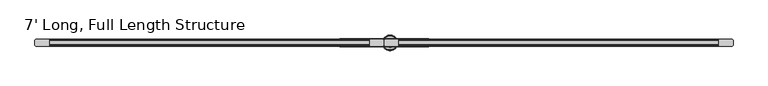
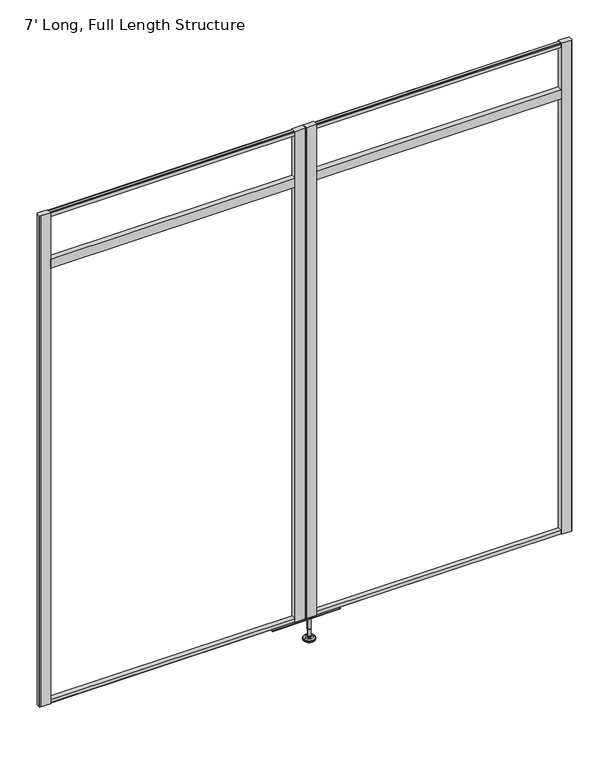
"""IFC4 building model written with IfcOpenShell, lengths in millimetres: furniture geometry, 7' Long, Full Length Structure."""

from ifc_helpers import new_model, si_unit, frame, origin, place, context, project, spatial, polyline, circle_curve, outline, extrude, source, transform, mapped, element, save
from ifc_brep_helpers import plane_surface, cylinder_surface, revolved_surface, advanced_brep


def furniture_7_long_full_length_structure_1698244c(model_context):
    return source(origin(), model_context, "Body", "SolidModel", [
        advanced_brep(
        [(1087.5986665, 0.0, 101.6), (1096.5765879, 0.0, 101.6), (1078.6207451, 0.0, 101.6), (1073.4944265, 0.0, 0.0206943), (1101.7029064, 0.0, 0.0206943), (1087.5986665, 0.0, 0.0206943), (1068.6163948, 0.0, 1.4194474), (1106.5809381, 0.0, 1.4194474), (1064.8544798, 0.0, 4.7394056), (1110.3428532, 0.0, 4.7394056), (1063.7370301, 0.0, 7.5051905), (1111.4603028, 0.0, 7.5051905), (1063.7370301, 0.0, 8.3065967), (1111.4603028, 0.0, 8.3065967), (1064.5794333, 0.0, 9.8469348), (1110.6178996, 0.0, 9.8469348), (1065.679576, 0.0, 10.8375077), (1109.517757, 0.0, 10.8375077), (1072.9832712, 0.0, 12.7338946), (1102.2140617, 0.0, 12.7338946), (1080.4014226, 0.0, 13.3828987), (1094.7959104, 0.0, 13.3828987), (1080.4014226, 0.0, 14.1772758), (1094.7959104, 0.0, 14.1772758), (1082.7982154, 0.0, 14.1772758), (1092.3991175, 0.0, 14.1772758), (1082.7982154, 0.0, 18.8098403), (1092.3991175, 0.0, 18.8098403), (1081.7823627, 0.0, 19.8256929), (1093.4149702, 0.0, 19.8256929), (1081.7823627, 0.0, 48.3056352), (1093.4149702, 0.0, 48.3056352), (1080.5588349, 0.0, 49.9293116), (1094.6384981, 0.0, 49.9293116), (1080.5588349, 0.0, 97.327223), (1094.6384981, 0.0, 97.327223), (1079.6777305, 0.0, 97.6479188), (1095.5196025, 0.0, 97.6479188), (1078.6287415, 0.0, 97.6479188), (1096.5685914, 0.0, 97.6479188), (1076.9637116, 0.0, 98.6092242), (1098.2336213, 0.0, 98.6092242), (1076.9637116, 0.0, 100.6043539), (1098.2336213, 0.0, 100.6043539)],
        [
            (0, 1),
            (1, 2, circle_curve(frame((1087.5986665, 0.0, 101.6), z_axis=(0.0, 0.0, 1.0), x_axis=(1.0, 0.0, 0.0)), 8.9779214)),
            (2, 0),
            (2, 1, circle_curve(frame((1087.5986665, 0.0, 101.6), z_axis=(0.0, 0.0, 1.0), x_axis=(1.0, 0.0, 0.0)), 8.9779214)),
            (3, 4, circle_curve(frame((1087.5986665, 0.0, 0.0206943), z_axis=(0.0, 0.0, -1.0), x_axis=(1.0, 0.0, 0.0)), 14.1042399)),
            (4, 5),
            (5, 3),
            (4, 3, circle_curve(frame((1087.5986665, 0.0, 0.0206943), z_axis=(0.0, 0.0, -1.0), x_axis=(1.0, 0.0, 0.0)), 14.1042399)),
            (6, 7, circle_curve(frame((1087.5986665, 0.0, 1.4194474), z_axis=(0.0, 0.0, -1.0), x_axis=(1.0, 0.0, 0.0)), 18.9822717)),
            (7, 4),
            (3, 6),
            (7, 6, circle_curve(frame((1087.5986665, 0.0, 1.4194474), z_axis=(0.0, 0.0, -1.0), x_axis=(1.0, 0.0, 0.0)), 18.9822717)),
            (8, 9, circle_curve(frame((1087.5986665, 0.0, 4.7394056), z_axis=(0.0, 0.0, -1.0), x_axis=(1.0, 0.0, 0.0)), 22.7441867)),
            (9, 7),
            (6, 8),
            (9, 8, circle_curve(frame((1087.5986665, 0.0, 4.7394056), z_axis=(0.0, 0.0, -1.0), x_axis=(1.0, 0.0, 0.0)), 22.7441867)),
            (10, 11, circle_curve(frame((1087.5986665, 0.0, 7.5051905), z_axis=(0.0, 0.0, -1.0), x_axis=(1.0, 0.0, 0.0)), 23.8616363)),
            (11, 9),
            (8, 10),
            (11, 10, circle_curve(frame((1087.5986665, 0.0, 7.5051905), z_axis=(0.0, 0.0, -1.0), x_axis=(1.0, 0.0, 0.0)), 23.8616363)),
            (12, 13, circle_curve(frame((1087.5986665, 0.0, 8.3065967), z_axis=(0.0, 0.0, -1.0), x_axis=(1.0, 0.0, 0.0)), 23.8616363)),
            (13, 11),
            (10, 12),
            (13, 12, circle_curve(frame((1087.5986665, 0.0, 8.3065967), z_axis=(0.0, 0.0, -1.0), x_axis=(1.0, 0.0, 0.0)), 23.8616363)),
            (14, 15, circle_curve(frame((1087.5986665, 0.0, 9.8469348), z_axis=(0.0, 0.0, -1.0), x_axis=(1.0, 0.0, 0.0)), 23.0192331)),
            (15, 13),
            (12, 14),
            (15, 14, circle_curve(frame((1087.5986665, 0.0, 9.8469348), z_axis=(0.0, 0.0, -1.0), x_axis=(1.0, 0.0, 0.0)), 23.0192331)),
            (16, 17, circle_curve(frame((1087.5986665, 0.0, 10.8375077), z_axis=(0.0, 0.0, -1.0), x_axis=(1.0, 0.0, 0.0)), 21.9190905)),
            (17, 15),
            (14, 16),
            (17, 16, circle_curve(frame((1087.5986665, 0.0, 10.8375077), z_axis=(0.0, 0.0, -1.0), x_axis=(1.0, 0.0, 0.0)), 21.9190905)),
            (18, 19, circle_curve(frame((1087.5986665, 0.0, 12.7338946), z_axis=(0.0, 0.0, -1.0), x_axis=(1.0, 0.0, 0.0)), 14.6153953)),
            (19, 17),
            (16, 18),
            (19, 18, circle_curve(frame((1087.5986665, 0.0, 12.7338946), z_axis=(0.0, 0.0, -1.0), x_axis=(1.0, 0.0, 0.0)), 14.6153953)),
            (20, 21, circle_curve(frame((1087.5986665, 0.0, 13.3828987), z_axis=(0.0, 0.0, -1.0), x_axis=(1.0, 0.0, 0.0)), 7.1972439)),
            (21, 19),
            (18, 20),
            (21, 20, circle_curve(frame((1087.5986665, 0.0, 13.3828987), z_axis=(0.0, 0.0, -1.0), x_axis=(1.0, 0.0, 0.0)), 7.1972439)),
            (22, 23, circle_curve(frame((1087.5986665, 0.0, 14.1772758), z_axis=(0.0, 0.0, -1.0), x_axis=(1.0, 0.0, 0.0)), 7.1972439)),
            (23, 21),
            (20, 22),
            (23, 22, circle_curve(frame((1087.5986665, 0.0, 14.1772758), z_axis=(0.0, 0.0, -1.0), x_axis=(1.0, 0.0, 0.0)), 7.1972439)),
            (24, 25, circle_curve(frame((1087.5986665, 0.0, 14.1772758), z_axis=(0.0, 0.0, -1.0), x_axis=(1.0, 0.0, 0.0)), 4.8004511)),
            (25, 23),
            (22, 24),
            (25, 24, circle_curve(frame((1087.5986665, 0.0, 14.1772758), z_axis=(0.0, 0.0, -1.0), x_axis=(1.0, 0.0, 0.0)), 4.8004511)),
            (26, 27, circle_curve(frame((1087.5986665, 0.0, 18.8098403), z_axis=(0.0, 0.0, -1.0), x_axis=(1.0, 0.0, 0.0)), 4.8004511)),
            (27, 25),
            (24, 26),
            (27, 26, circle_curve(frame((1087.5986665, 0.0, 18.8098403), z_axis=(0.0, 0.0, -1.0), x_axis=(1.0, 0.0, 0.0)), 4.8004511)),
            (28, 29, circle_curve(frame((1087.5986665, 0.0, 19.8256929), z_axis=(0.0, 0.0, -1.0), x_axis=(1.0, 0.0, 0.0)), 5.8163037)),
            (29, 27),
            (26, 28),
            (29, 28, circle_curve(frame((1087.5986665, 0.0, 19.8256929), z_axis=(0.0, 0.0, -1.0), x_axis=(1.0, 0.0, 0.0)), 5.8163037)),
            (30, 31, circle_curve(frame((1087.5986665, 0.0, 48.3056352), z_axis=(0.0, 0.0, -1.0), x_axis=(1.0, 0.0, 0.0)), 5.8163037)),
            (31, 29),
            (28, 30),
            (31, 30, circle_curve(frame((1087.5986665, 0.0, 48.3056352), z_axis=(0.0, 0.0, -1.0), x_axis=(1.0, 0.0, 0.0)), 5.8163037)),
            (32, 33, circle_curve(frame((1087.5986665, 0.0, 49.9293116), z_axis=(0.0, 0.0, -1.0), x_axis=(1.0, 0.0, 0.0)), 7.0398316)),
            (33, 31),
            (30, 32),
            (33, 32, circle_curve(frame((1087.5986665, 0.0, 49.9293116), z_axis=(0.0, 0.0, -1.0), x_axis=(1.0, 0.0, 0.0)), 7.0398316)),
            (34, 35, circle_curve(frame((1087.5986665, 0.0, 97.327223), z_axis=(0.0, 0.0, -1.0), x_axis=(1.0, 0.0, 0.0)), 7.0398316)),
            (35, 33),
            (32, 34),
            (35, 34, circle_curve(frame((1087.5986665, 0.0, 97.327223), z_axis=(0.0, 0.0, -1.0), x_axis=(1.0, 0.0, 0.0)), 7.0398316)),
            (36, 37, circle_curve(frame((1087.5986665, 0.0, 97.6479188), z_axis=(0.0, 0.0, -1.0), x_axis=(1.0, 0.0, 0.0)), 7.920936)),
            (37, 35),
            (34, 36),
            (37, 36, circle_curve(frame((1087.5986665, 0.0, 97.6479188), z_axis=(0.0, 0.0, -1.0), x_axis=(1.0, 0.0, 0.0)), 7.920936)),
            (38, 39, circle_curve(frame((1087.5986665, 0.0, 97.6479188), z_axis=(0.0, 0.0, -1.0), x_axis=(1.0, 0.0, 0.0)), 8.9699249)),
            (39, 37),
            (36, 38),
            (39, 38, circle_curve(frame((1087.5986665, 0.0, 97.6479188), z_axis=(0.0, 0.0, -1.0), x_axis=(1.0, 0.0, 0.0)), 8.9699249)),
            (40, 41, circle_curve(frame((1087.5986665, 0.0, 98.6092242), z_axis=(0.0, 0.0, -1.0), x_axis=(1.0, 0.0, 0.0)), 10.6349548)),
            (41, 39),
            (38, 40),
            (41, 40, circle_curve(frame((1087.5986665, 0.0, 98.6092242), z_axis=(0.0, 0.0, -1.0), x_axis=(1.0, 0.0, 0.0)), 10.6349548)),
            (42, 43, circle_curve(frame((1087.5986665, 0.0, 100.6043539), z_axis=(0.0, 0.0, -1.0), x_axis=(1.0, 0.0, 0.0)), 10.6349548)),
            (43, 41),
            (40, 42),
            (43, 42, circle_curve(frame((1087.5986665, 0.0, 100.6043539), z_axis=(0.0, 0.0, -1.0), x_axis=(1.0, 0.0, 0.0)), 10.6349548)),
            (1, 43),
            (42, 2),
        ],
        [
            plane_surface(frame((1087.5986665, 0.0, 101.6), z_axis=(0.0, 0.0, 1.0), x_axis=(1.0, 0.0, 0.0))),
            plane_surface(frame((1087.5986665, 0.0, 0.0206943), z_axis=(0.0, 0.0, -1.0), x_axis=(1.0, 0.0, 0.0))),
            revolved_surface(polyline([(1101.7029064, 0.0, 0.0206943), (1106.5809381, 0.0, 1.4194474)]), (1087.5986665, 0.0, 101.6), (0.0, 0.0, 1.0)),
            revolved_surface(polyline([(1106.5809381, 0.0, 1.4194474), (1110.3428532, 0.0, 4.7394056)]), (1087.5986665, 0.0, 101.6), (0.0, 0.0, 1.0)),
            revolved_surface(polyline([(1110.3428532, 0.0, 4.7394056), (1111.4603028, 0.0, 7.5051905)]), (1087.5986665, 0.0, 101.6), (0.0, 0.0, 1.0)),
            cylinder_surface(frame((1087.5986665, 0.0, 101.6), z_axis=(0.0, 0.0, 1.0), x_axis=(1.0, 0.0, 0.0)), 23.8616363),
            revolved_surface(polyline([(1111.4603028, 0.0, 8.3065967), (1110.6178996, 0.0, 9.8469348)]), (1087.5986665, 0.0, 101.6), (0.0, 0.0, 1.0)),
            revolved_surface(polyline([(1110.6178996, 0.0, 9.8469348), (1109.517757, 0.0, 10.8375077)]), (1087.5986665, 0.0, 101.6), (0.0, 0.0, 1.0)),
            revolved_surface(polyline([(1109.517757, 0.0, 10.8375077), (1102.2140617, 0.0, 12.7338946)]), (1087.5986665, 0.0, 101.6), (0.0, 0.0, 1.0)),
            revolved_surface(polyline([(1102.2140617, 0.0, 12.7338946), (1094.7959104, 0.0, 13.3828987)]), (1087.5986665, 0.0, 101.6), (0.0, 0.0, 1.0)),
            cylinder_surface(frame((1087.5986665, 0.0, 101.6), z_axis=(0.0, 0.0, 1.0), x_axis=(1.0, 0.0, 0.0)), 7.1972439),
            plane_surface(frame((1087.5986665, 0.0, 14.1772758), z_axis=(0.0, 0.0, 1.0), x_axis=(1.0, 0.0, 0.0))),
            cylinder_surface(frame((1087.5986665, 0.0, 101.6), z_axis=(0.0, 0.0, 1.0), x_axis=(1.0, 0.0, 0.0)), 4.8004511),
            revolved_surface(polyline([(1092.3991175, 0.0, 18.8098403), (1093.4149702, 0.0, 19.8256929)]), (1087.5986665, 0.0, 101.6), (0.0, 0.0, 1.0)),
            cylinder_surface(frame((1087.5986665, 0.0, 101.6), z_axis=(0.0, 0.0, 1.0), x_axis=(1.0, 0.0, 0.0)), 5.8163037),
            revolved_surface(polyline([(1093.4149702, 0.0, 48.3056352), (1094.6384981, 0.0, 49.9293116)]), (1087.5986665, 0.0, 101.6), (0.0, 0.0, 1.0)),
            cylinder_surface(frame((1087.5986665, 0.0, 101.6), z_axis=(0.0, 0.0, 1.0), x_axis=(1.0, 0.0, 0.0)), 7.0398316),
            revolved_surface(polyline([(1094.6384981, 0.0, 97.327223), (1095.5196025, 0.0, 97.6479188)]), (1087.5986665, 0.0, 101.6), (0.0, 0.0, 1.0)),
            plane_surface(frame((1087.5986665, 0.0, 97.6479188), z_axis=(0.0, 0.0, -1.0), x_axis=(1.0, 0.0, 0.0))),
            revolved_surface(polyline([(1096.5685914, 0.0, 97.6479188), (1098.2336213, 0.0, 98.6092242)]), (1087.5986665, 0.0, 101.6), (0.0, 0.0, 1.0)),
            cylinder_surface(frame((1087.5986665, 0.0, 101.6), z_axis=(0.0, 0.0, 1.0), x_axis=(1.0, 0.0, 0.0)), 10.6349548),
            revolved_surface(polyline([(1098.2336213, 0.0, 100.6043539), (1096.5765879, 0.0, 101.6)]), (1087.5986665, 0.0, 101.6), (0.0, 0.0, 1.0)),
        ],
        [
            (0, [[1, 2, 3]]),
            (0, [[-3, 4, -1]]),
            (1, [[5, 6, 7]]),
            (1, [[8, -7, -6]]),
            (2, [[9, 10, -5, 11]]),
            (2, [[12, -11, -8, -10]]),
            (3, [[13, 14, -9, 15]]),
            (3, [[16, -15, -12, -14]]),
            (4, [[17, 18, -13, 19]]),
            (4, [[20, -19, -16, -18]]),
            (5, [[21, 22, -17, 23]]),
            (5, [[24, -23, -20, -22]]),
            (6, [[25, 26, -21, 27]]),
            (6, [[28, -27, -24, -26]]),
            (7, [[29, 30, -25, 31]]),
            (7, [[32, -31, -28, -30]]),
            (8, [[33, 34, -29, 35]]),
            (8, [[36, -35, -32, -34]]),
            (9, [[37, 38, -33, 39]]),
            (9, [[40, -39, -36, -38]]),
            (10, [[41, 42, -37, 43]]),
            (10, [[44, -43, -40, -42]]),
            (11, [[45, 46, -41, 47]]),
            (11, [[48, -47, -44, -46]]),
            (12, [[49, 50, -45, 51]]),
            (12, [[52, -51, -48, -50]]),
            (13, [[53, 54, -49, 55]]),
            (13, [[56, -55, -52, -54]]),
            (14, [[57, 58, -53, 59]]),
            (14, [[60, -59, -56, -58]]),
            (15, [[61, 62, -57, 63]]),
            (15, [[64, -63, -60, -62]]),
            (16, [[65, 66, -61, 67]]),
            (16, [[68, -67, -64, -66]]),
            (17, [[69, 70, -65, 71]]),
            (17, [[72, -71, -68, -70]]),
            (18, [[73, 74, -69, 75]]),
            (18, [[76, -75, -72, -74]]),
            (19, [[77, 78, -73, 79]]),
            (19, [[80, -79, -76, -78]]),
            (20, [[81, 82, -77, 83]]),
            (20, [[84, -83, -80, -82]]),
            (21, [[-2, 85, -81, 86]]),
            (21, [[-4, -86, -84, -85]]),
        ],
    ),
        extrude(outline(polyline([(1112.139, 10.5559997), (1112.139, -10.5559997), (1073.3640049, -10.5559997), (1071.0840932, -9.6109027), (1070.1389837, -7.3310001), (1070.1389837, 7.3310001), (1071.0840932, 9.6109027), (1073.3640049, 10.5559997), (1112.139, 10.5559997)])), frame((0.0, 0.0, 103.4818084), z_axis=(0.0, 0.0, 1.0), x_axis=(1.0, 0.0, 0.0)), (0.0, 0.0, 1.0), 2081.3499916),
        extrude(outline(polyline([(1025.779, 10.5559997), (1064.5539951, 10.5559997), (1066.8339068, 9.6109027), (1067.7790163, 7.3310001), (1067.7790163, -7.3310001), (1066.8339068, -9.6109027), (1064.5539951, -10.5559997), (1025.779, -10.5559997), (1025.779, 10.5559997)])), frame((0.0, 0.0, 103.4818084), z_axis=(0.0, 0.0, 1.0), x_axis=(1.0, 0.0, 0.0)), (0.0, 0.0, 1.0), 2081.3499916),
        extrude(outline(polyline([(1206.5880218, 12.2069997), (1206.5880218, -12.2069997), (932.9555782, -12.2069997), (932.9555782, 12.2069997), (1206.5880218, 12.2069997)])), frame((0.0, 0.0, 97.327223), z_axis=(0.0, 0.0, 1.0), x_axis=(1.0, 0.0, 0.0)), (0.0, 0.0, 1.0), 3.8128244),
        extrude(outline(polyline([(2094.611, 10.5559997), (2094.611, -10.5559997), (1112.139, -10.5559997), (1112.139, 10.5559997), (2094.611, 10.5559997)])), frame((0.0, 0.0, 1949.2990402), z_axis=(0.0, 0.0, 1.0), x_axis=(1.0, 0.0, 0.0)), (0.0, 0.0, 1.0), 38.1),
        extrude(outline(polyline([(43.1799273, -10.5559997), (43.1799273, 10.5559997), (1025.779, 10.5559997), (1025.779, -10.5559997), (43.1799273, -10.5559997)])), frame((0.0, 0.0, 1949.2990402), z_axis=(0.0, 0.0, 1.0), x_axis=(1.0, 0.0, 0.0)), (0.0, 0.0, 1.0), 38.1),
        extrude(outline(polyline([(-8.9429997, 2166.849753), (-8.9429997, 2180.8497706), (-8.0643203, 2182.9710074), (-5.943, 2183.8497328), (5.943, 2183.8497328), (8.0643203, 2182.9710074), (8.9429997, 2180.8497706), (8.9429997, 2166.849753), (-8.9429997, 2166.849753)])), frame((43.1799273, 0.0, 0.0), z_axis=(1.0, 0.0, 0.0), x_axis=(0.0, 1.0, 0.0)), (0.0, 0.0, 1.0), 2051.4310727),
        extrude(outline(polyline([(43.1799273, 10.5559997), (43.1799273, -10.5559997), (3.2032054, -10.5559997), (0.9232937, -9.6109027), (-0.0218157, -7.3310001), (-0.0218157, 7.3310001), (0.9232937, 9.6109027), (3.2032054, 10.5559997), (43.1799273, 10.5559997)])), frame((0.0, 0.0, 101.6), z_axis=(0.0, 0.0, 1.0), x_axis=(1.0, 0.0, 0.0)), (0.0, 0.0, 1.0), 2083.2318),
        extrude(outline(polyline([(2094.611, 10.5559997), (2134.8084304, 10.5559997), (2137.0883784, 9.6109027), (2137.918, 7.6093626), (2137.918, -7.6093626), (2137.0883784, -9.6109027), (2134.8084304, -10.5559997), (2094.611, -10.5559997), (2094.611, 10.5559997)])), frame((0.0, 0.0, 101.6), z_axis=(0.0, 0.0, 1.0), x_axis=(1.0, 0.0, 0.0)), (0.0, 0.0, 1.0), 2083.2318),
        extrude(outline(polyline([(-8.9429997, 118.1400272), (8.9429997, 118.1400272), (8.9429997, 104.1400097), (8.0643203, 102.0187729), (5.943, 101.1400475), (-5.943, 101.1400475), (-8.0643203, 102.0187729), (-8.9429997, 104.1400097), (-8.9429997, 118.1400272)])), frame((43.1799273, 0.0, 0.0), z_axis=(1.0, 0.0, 0.0), x_axis=(0.0, 1.0, 0.0)), (0.0, 0.0, 1.0), 2051.4310727),
    ])


if __name__ == "__main__":
    model = new_model("IFC4")
    model_context = context("Model", 3, world=origin())
    ifc_project = project(units=[si_unit("LENGTHUNIT", "METRE", prefix="MILLI")], contexts=[model_context])
    site = spatial("IfcSite", under=ifc_project)
    building = spatial("IfcBuilding", under=site)
    placement = place(None, origin())
    furniture_7_long_full_length_structure_shape = furniture_7_long_full_length_structure_1698244c(model_context)
    element("IfcFurniture", 1, ObjectType="7' Long, Full Length Structure", at=placement, inside=building, context=model_context, shape_type="MappedRepresentation", body=[
        mapped(furniture_7_long_full_length_structure_shape, transform((0.0, 0.0, 0.0), x_axis=(1.0, 0.0, 0.0), y_axis=(0.0, 1.0, 0.0), z_axis=(0.0, 0.0, 1.0))),
    ])
    save(model, "model.ifc")
